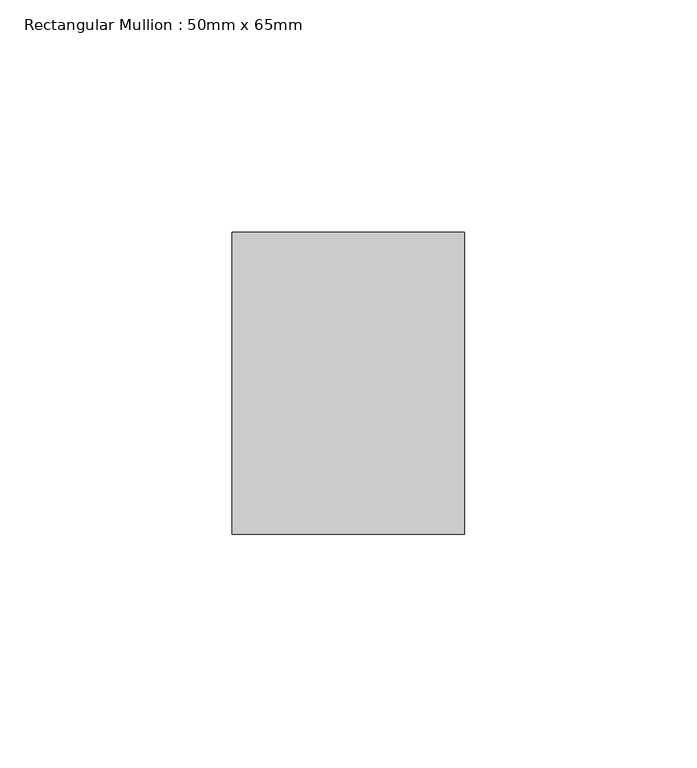
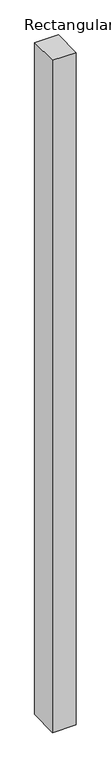
"""IFC4 building model written with IfcOpenShell, lengths in millimetres: member geometry, Rectangular Mullion : 50mm x 65mm."""

from ifc_helpers import new_model, si_unit, frame, origin, place, context, project, spatial, polyline, outline, extrude, source, transform, mapped, element, save


def rectangular_mullion_50mm_x_65mm_11c4eeb3(model_context):
    return source(origin(), model_context, "Body", "SweptSolid", [
        extrude(outline(polyline([(-32.5, 0.0), (32.5, 0.0), (32.5, -1499.3977419), (-32.5, -1500.6021748), (-32.5, 0.0)])), frame((-25.0, 0.0, 0.0), z_axis=(1.0, 0.0, 0.0), x_axis=(0.0, 1.0, 0.0)), (0.0, 0.0, 1.0), 50.0),
    ])


if __name__ == "__main__":
    model = new_model("IFC4")
    model_context = context("Model", 3, world=origin())
    ifc_project = project(units=[si_unit("LENGTHUNIT", "METRE", prefix="MILLI")], contexts=[model_context])
    site = spatial("IfcSite", under=ifc_project)
    building = spatial("IfcBuilding", under=site)
    placement = place(None, origin())
    rectangular_mullion_50mm_x_65mm_shape = rectangular_mullion_50mm_x_65mm_11c4eeb3(model_context)
    element("IfcMember", 1, ObjectType="Rectangular Mullion : 50mm x 65mm", at=placement, inside=building, context=model_context, shape_type="MappedRepresentation", body=[
        mapped(rectangular_mullion_50mm_x_65mm_shape, transform((0.0, 0.0, 0.0), x_axis=(1.0, 0.0, 0.0), y_axis=(0.0, 1.0, 0.0), z_axis=(0.0, 0.0, 1.0))),
    ])
    save(model, "model.ifc")
